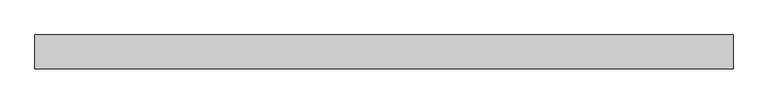
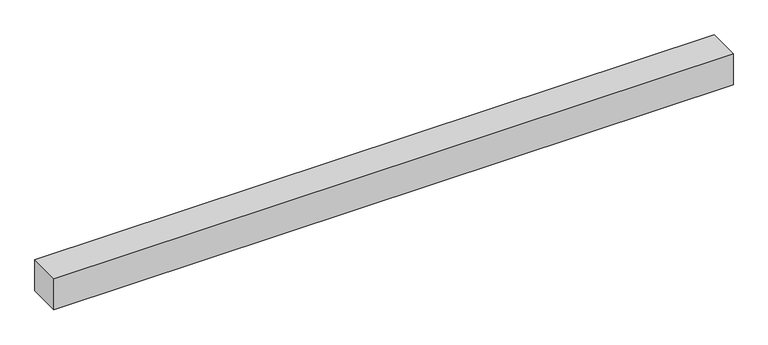
"""IFC4 building model written with IfcOpenShell, lengths in millimetres: beam geometry."""

from ifc_helpers import new_model, si_unit, frame, origin, place, context, project, spatial, polyline, outline, extrude, source, transform, mapped, element, save


def beam_9e671542(model_context):
    return source(origin(), model_context, "Body", "SweptSolid", [
        extrude(outline(polyline([(5100.0, 75.0), (5100.0, -75.0), (2000.0, -75.0), (2000.0, 75.0), (5100.0, 75.0)])), frame((0.0, 0.0, -75.0), z_axis=(0.0, 0.0, 1.0), x_axis=(1.0, 0.0, 0.0)), (0.0, 0.0, 1.0), 150.0),
    ])


if __name__ == "__main__":
    model = new_model("IFC4")
    model_context = context("Model", 3, world=origin())
    ifc_project = project(units=[si_unit("LENGTHUNIT", "METRE", prefix="MILLI")], contexts=[model_context])
    site = spatial("IfcSite", under=ifc_project)
    building = spatial("IfcBuilding", under=site)
    placement = place(None, origin())
    beam_shape = beam_9e671542(model_context)
    element("IfcBeam", 1, at=placement, inside=building, context=model_context, shape_type="MappedRepresentation", body=[
        mapped(beam_shape, transform((0.0, 0.0, 0.0), x_axis=(1.0, 0.0, 0.0), y_axis=(0.0, 1.0, 0.0), z_axis=(0.0, 0.0, 1.0))),
    ])
    save(model, "model.ifc")
